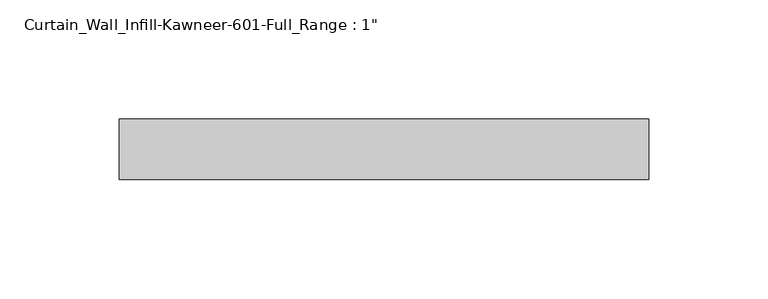
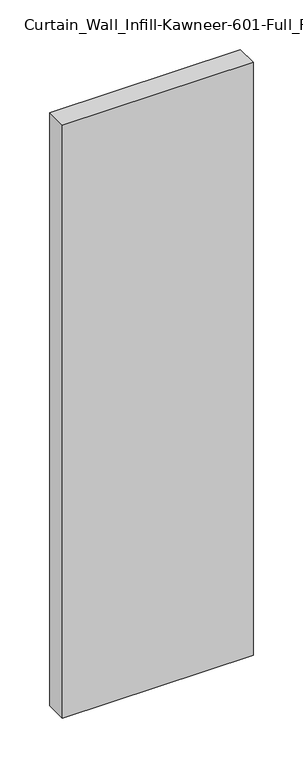
"""IFC4 building model written with IfcOpenShell, lengths in millimetres: plate geometry."""

import ifcopenshell
import ifcopenshell.guid

model = None  # the IFC model being written
_history = None  # IfcOwnerHistory: only IFC2X3 demands one
_inside = {}  # id of a spatial element -> (the spatial element, [elements in it])
_under = {}  # id of a project, library or spatial element -> (it, [spatial elements below it])
_declared = {}  # id of a project -> (the project, [libraries it declares])
_typed = {}  # id of a type object -> (the type object, [elements of that type])
_made_of = {}  # id of a material, layer set ... -> (it, [elements and type objects made of it])


def new_model(schema):
    """Start an empty IFC model of exactly this schema.

    Asked for "IFC4X3", IfcOpenShell would pick the latest addendum, in which some entities
    have other attributes; the version numbers below select the first issue.
    IFC2X3 requires an IfcOwnerHistory on every rooted entity: one is made here for all.
    """
    global model, _history
    if schema == "IFC4X3":
        model = ifcopenshell.file(schema_version=(4, 3, 0, 0))
    else:
        model = ifcopenshell.file(schema=schema)
    _inside.clear()
    _under.clear()
    _declared.clear()
    _typed.clear()
    _made_of.clear()
    _history = None
    if model.schema == "IFC2X3":
        org = make("IfcOrganization", Name="unknown")
        user = make(
            "IfcPersonAndOrganization",
            ThePerson=make("IfcPerson", FamilyName="unknown"),
            TheOrganization=org,
        )
        app = make(
            "IfcApplication",
            ApplicationDeveloper=org,
            Version="unknown",
            ApplicationFullName="unknown",
            ApplicationIdentifier="unknown",
        )
        _history = make(
            "IfcOwnerHistory",
            OwningUser=user,
            OwningApplication=app,
            ChangeAction="ADDED",
            CreationDate=0,
        )
    return model


def make(cls, **values):
    """One entity of the class cls with the attributes given. An attribute that is None is left unset."""
    return model.create_entity(
        cls, **{name: value for name, value in values.items() if value is not None}
    )


def rooted(cls, **values):
    """An entity with a GlobalId (a new one), such as an element, a storey or a relation."""
    return make(cls, GlobalId=ifcopenshell.guid.new(), OwnerHistory=_history, **values)


def si_unit(unit_type, name, prefix=None):
    """IfcSIUnit, for example si_unit("LENGTHUNIT", "METRE", prefix="MILLI")."""
    return make("IfcSIUnit", UnitType=unit_type, Prefix=prefix, Name=name)


def assignment(units):
    """IfcUnitAssignment: the units of a project."""
    return None if units is None else make("IfcUnitAssignment", Units=units)


def point(xyz):
    """IfcCartesianPoint."""
    return None if xyz is None else make("IfcCartesianPoint", Coordinates=xyz)


def direction(xyz):
    """IfcDirection."""
    return None if xyz is None else make("IfcDirection", DirectionRatios=xyz)


def frame(location, z_axis=None, x_axis=None):
    """IfcAxis2Placement3D, a coordinate frame: its origin and axes. An axis left out is left unset."""
    return make(
        "IfcAxis2Placement3D",
        Location=point(location),
        Axis=direction(z_axis),
        RefDirection=direction(x_axis),
    )


def origin():
    """The frame at (0, 0, 0) with its axes left unset."""
    return frame((0.0, 0.0, 0.0))


def origin_with_axes():
    """The frame at (0, 0, 0) with the z axis (0, 0, 1) and the x axis (1, 0, 0) written out."""
    return frame((0.0, 0.0, 0.0), z_axis=(0.0, 0.0, 1.0), x_axis=(1.0, 0.0, 0.0))


def place(relative_to, where):
    """IfcLocalPlacement: puts the frame where relative to a parent placement (None: the world)."""
    return make(
        "IfcLocalPlacement", PlacementRelTo=relative_to, RelativePlacement=where
    )


def context(
    kind, dimensions, precision=None, world=None, true_north=None, identifier=None
):
    """IfcGeometricRepresentationContext, for example the 3D "Model" context."""
    return make(
        "IfcGeometricRepresentationContext",
        ContextIdentifier=identifier,
        ContextType=kind,
        CoordinateSpaceDimension=dimensions,
        Precision=precision,
        WorldCoordinateSystem=world,
        TrueNorth=true_north,
    )


def project(units=None, contexts=None):
    """IfcProject with its units and contexts."""
    return rooted(
        "IfcProject",
        Name="project",
        RepresentationContexts=contexts,
        UnitsInContext=assignment(units),
    )


def spatial(cls, under=None, at=None, **own):
    """A site, building, storey or space (cls), placed at a placement, below another one or the project."""
    s = rooted(cls, ObjectPlacement=at, **own)
    if under is not None:
        _under.setdefault(under.id(), (under, []))[1].append(s)
    return s


def polyline(points):
    """IfcPolyline through the points."""
    return make("IfcPolyline", Points=[point(p) for p in points])


def outline(outer, holes=None, kind="AREA"):
    """IfcArbitraryClosedProfileDef: a profile drawn as a closed curve; with holes, ...WithVoids."""
    if holes is None:
        return make("IfcArbitraryClosedProfileDef", ProfileType=kind, OuterCurve=outer)
    return make(
        "IfcArbitraryProfileDefWithVoids",
        ProfileType=kind,
        OuterCurve=outer,
        InnerCurves=holes,
    )


def extrude(swept, where, along, depth):
    """IfcExtrudedAreaSolid: the profile swept, set in the frame where, extruded along a direction by depth."""
    return make(
        "IfcExtrudedAreaSolid",
        SweptArea=swept,
        Position=where,
        ExtrudedDirection=direction(along),
        Depth=depth,
    )


def shape(context_of_items, identifier, shape_type, items):
    """IfcShapeRepresentation: the items that make up one representation, for example the "Body"."""
    return make(
        "IfcShapeRepresentation",
        ContextOfItems=context_of_items,
        RepresentationIdentifier=identifier,
        RepresentationType=shape_type,
        Items=items,
    )


def source(mapping_origin, context_of_items, identifier, shape_type, items):
    """IfcRepresentationMap: a shape defined once, which mapped items show again and again."""
    return make(
        "IfcRepresentationMap",
        MappingOrigin=mapping_origin,
        MappedRepresentation=shape(context_of_items, identifier, shape_type, items),
    )


def transform(
    local_origin,
    x_axis=None,
    y_axis=None,
    z_axis=None,
    scale=None,
    scale2=None,
    scale3=None,
    uniform=True,
):
    """IfcCartesianTransformationOperator3D, or its non-uniform kind. x_axis, y_axis, z_axis: its Axis1, 2, 3."""
    if uniform:
        return make(
            "IfcCartesianTransformationOperator3D",
            Axis1=direction(x_axis),
            Axis2=direction(y_axis),
            LocalOrigin=point(local_origin),
            Scale=scale,
            Axis3=direction(z_axis),
        )
    return make(
        "IfcCartesianTransformationOperator3DnonUniform",
        Axis1=direction(x_axis),
        Axis2=direction(y_axis),
        LocalOrigin=point(local_origin),
        Scale=scale,
        Axis3=direction(z_axis),
        Scale2=scale2,
        Scale3=scale3,
    )


def mapped(mapping_source, mapping_target):
    """IfcMappedItem: shows the shape of a source again, moved by a transform."""
    return make(
        "IfcMappedItem", MappingSource=mapping_source, MappingTarget=mapping_target
    )


def made_of(thing, what):
    """Note that an element or type object is made of a material, layer set ...; save() writes the relation."""
    if what is not None:
        _made_of.setdefault(what.id(), (what, []))[1].append(thing)
    return thing


def element(
    cls,
    number,
    at=None,
    inside=None,
    cuts=None,
    type_object=None,
    material=None,
    context=None,
    identifier="Body",
    shape_type=None,
    held_by="IfcProductDefinitionShape",
    body=None,
    shapes=None,
    **own,
):
    """One element of the class cls, such as IfcWall. Its Tag is "e" and its number.

    at: its placement. inside: the storey or other place that contains it. cuts: it is an
    opening in that element (IfcRelVoidsElement). A single representation is given by context,
    identifier, shape_type and body (its items); several are given by shapes. held_by: the class
    of the entity that holds the representations. save() writes the other relations.
    """
    e = rooted(cls, Tag="e%d" % number, ObjectPlacement=at, **own)
    if body is not None:
        shapes = [shape(context, identifier, shape_type, body)]
    if shapes is not None:
        e.Representation = make(held_by, Representations=shapes)
    if inside is not None:
        _inside.setdefault(inside.id(), (inside, []))[1].append(e)
    if cuts is not None:
        rooted(
            "IfcRelVoidsElement", RelatingBuildingElement=cuts, RelatedOpeningElement=e
        )
    if type_object is not None:
        _typed.setdefault(type_object.id(), (type_object, []))[1].append(e)
    return made_of(e, material)


def aggregate(whole, parts):
    """IfcRelAggregates: a whole, such as a stair, and the parts it consists of."""
    return rooted("IfcRelAggregates", RelatingObject=whole, RelatedObjects=parts)


def save(model, path):
    """Write the relations noted so far, then the file.

    IfcRelAggregates (storeys below a building ...), IfcRelContainedInSpatialStructure (elements
    in a storey), IfcRelDefinesByType, IfcRelAssociatesMaterial and IfcRelDeclares: one each for
    every whole, place, type object, material and project.
    """
    for whole, parts in _under.values():
        aggregate(whole, parts)
    for where, things in _inside.values():
        rooted(
            "IfcRelContainedInSpatialStructure",
            RelatedElements=things,
            RelatingStructure=where,
        )
    for kind, things in _typed.values():
        rooted("IfcRelDefinesByType", RelatedObjects=things, RelatingType=kind)
    for what, things in _made_of.values():
        rooted("IfcRelAssociatesMaterial", RelatedObjects=things, RelatingMaterial=what)
    for by, libraries in _declared.values():
        rooted("IfcRelDeclares", RelatingContext=by, RelatedDefinitions=libraries)
    model.write(path)


def plate_1c146060(model_context):
    return source(origin(), model_context, "Body", "SweptSolid", [
        extrude(outline(polyline([(-111.125, -12.7), (-111.125, 12.7), (111.125, 12.7), (111.125, -12.7), (-111.125, -12.7)])), origin_with_axes(), (0.0, 0.0, 1.0), 730.25),
    ])


if __name__ == "__main__":
    model = new_model("IFC4")
    model_context = context("Model", 3, world=origin())
    ifc_project = project(units=[si_unit("LENGTHUNIT", "METRE", prefix="MILLI")], contexts=[model_context])
    site = spatial("IfcSite", under=ifc_project)
    building = spatial("IfcBuilding", under=site)
    placement = place(None, origin())
    plate_shape = plate_1c146060(model_context)
    element("IfcPlate", 1, ObjectType="Curtain_Wall_Infill-Kawneer-601-Full_Range : 1\"", at=placement, inside=building, context=model_context, shape_type="MappedRepresentation", body=[
        mapped(plate_shape, transform((0.0, 0.0, 0.0), x_axis=(1.0, 0.0, 0.0), y_axis=(0.0, 1.0, 0.0), z_axis=(0.0, 0.0, 1.0))),
    ])
    save(model, "model.ifc")
